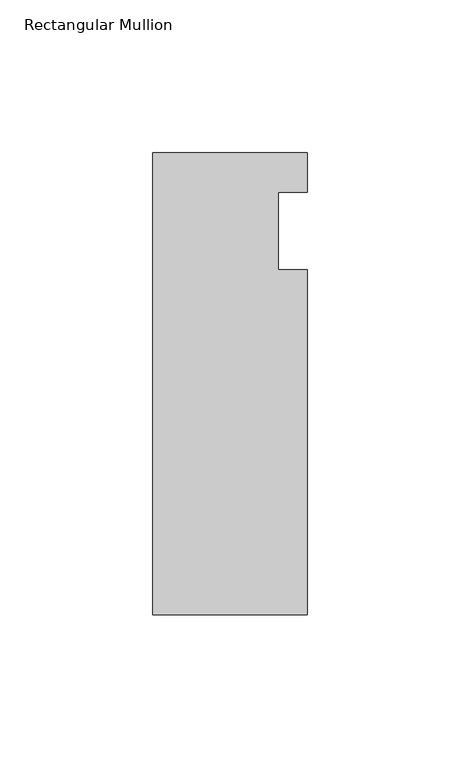
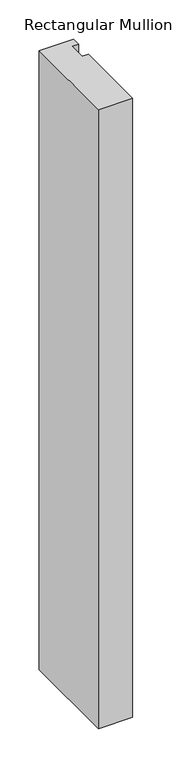
"""IFC4 building model written with IfcOpenShell, lengths in millimetres: member geometry, Rectangular Mullion."""

from ifc_helpers import new_model, si_unit, frame, origin, place, context, project, spatial, polyline, outline, extrude, source, transform, mapped, element, save


def rectangular_mullion_1f1d979f(model_context):
    return source(origin(), model_context, "Body", "SweptSolid", [
        extrude(outline(polyline([(-25.4, 25.796875), (25.4, 25.796875), (25.4, 12.7), (15.875, 12.7), (15.875, -12.7), (25.4, -12.7), (25.4, -125.809375), (-25.4, -125.809375), (-25.4, 25.796875)])), frame((0.0, 0.0, -965.2), z_axis=(0.0, 0.0, 1.0), x_axis=(1.0, 0.0, 0.0)), (0.0, 0.0, 1.0), 965.2),
    ])


if __name__ == "__main__":
    model = new_model("IFC4")
    model_context = context("Model", 3, world=origin())
    ifc_project = project(units=[si_unit("LENGTHUNIT", "METRE", prefix="MILLI")], contexts=[model_context])
    site = spatial("IfcSite", under=ifc_project)
    building = spatial("IfcBuilding", under=site)
    placement = place(None, origin())
    rectangular_mullion_shape = rectangular_mullion_1f1d979f(model_context)
    element("IfcMember", 1, ObjectType="Rectangular Mullion", at=placement, inside=building, context=model_context, shape_type="MappedRepresentation", body=[
        mapped(rectangular_mullion_shape, transform((0.0, 0.0, 0.0), x_axis=(1.0, 0.0, 0.0), y_axis=(0.0, 1.0, 0.0), z_axis=(0.0, 0.0, 1.0))),
    ])
    save(model, "model.ifc")
